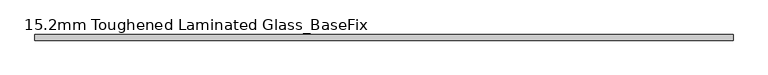
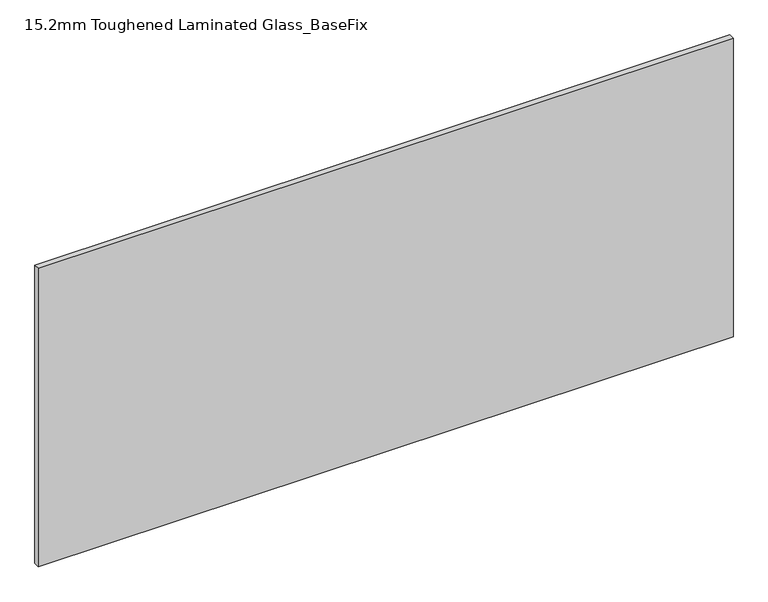
"""IFC4 building model written with IfcOpenShell, lengths in millimetres: plate geometry, 15.2mm Toughened Laminated Glass_BaseFix."""

from ifc_helpers import new_model, si_unit, origin, origin_with_axes, place, context, project, spatial, polyline, outline, extrude, source, transform, mapped, element, save


def plate_15_2mm_toughened_laminated_glass_basefix_e9e1a426(model_context):
    return source(origin(), model_context, "Body", "SweptSolid", [
        extrude(outline(polyline([(945.0000001, 7.6), (945.0000001, -7.6), (-945.0000001, -7.6), (-945.0000001, 7.6), (945.0000001, 7.6)])), origin_with_axes(), (0.0, 0.0, 1.0), 858.0),
    ])


if __name__ == "__main__":
    model = new_model("IFC4")
    model_context = context("Model", 3, world=origin())
    ifc_project = project(units=[si_unit("LENGTHUNIT", "METRE", prefix="MILLI")], contexts=[model_context])
    site = spatial("IfcSite", under=ifc_project)
    building = spatial("IfcBuilding", under=site)
    placement = place(None, origin())
    plate_15_2mm_toughened_laminated_glass_basefix_shape = plate_15_2mm_toughened_laminated_glass_basefix_e9e1a426(model_context)
    element("IfcPlate", 1, ObjectType="15.2mm Toughened Laminated Glass_BaseFix", at=placement, inside=building, context=model_context, shape_type="MappedRepresentation", body=[
        mapped(plate_15_2mm_toughened_laminated_glass_basefix_shape, transform((0.0, 0.0, 0.0), x_axis=(1.0, 0.0, 0.0), y_axis=(0.0, 1.0, 0.0), z_axis=(0.0, 0.0, 1.0))),
    ])
    save(model, "model.ifc")
